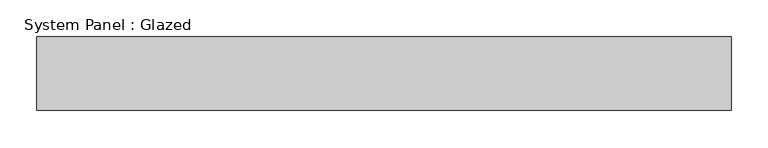
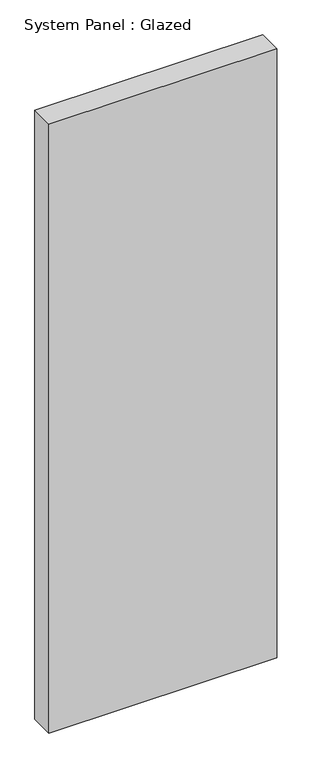
"""IFC4 building model written with IfcOpenShell, lengths in millimetres: plate geometry, System Panel : Glazed."""

from ifc_helpers import new_model, si_unit, origin, origin_with_axes, place, context, project, spatial, polyline, outline, extrude, source, transform, mapped, element, save


def system_panel_glazed_94610b13(model_context):
    return source(origin(), model_context, "Body", "SweptSolid", [
        extrude(outline(polyline([(471.4440397, 50.0), (-471.4440397, 50.0), (-471.4440397, 150.0), (471.4440397, 150.0), (471.4440397, 50.0)])), origin_with_axes(), (0.0, 0.0, 1.0), 2664.6565351),
    ])


if __name__ == "__main__":
    model = new_model("IFC4")
    model_context = context("Model", 3, world=origin())
    ifc_project = project(units=[si_unit("LENGTHUNIT", "METRE", prefix="MILLI")], contexts=[model_context])
    site = spatial("IfcSite", under=ifc_project)
    building = spatial("IfcBuilding", under=site)
    placement = place(None, origin())
    system_panel_glazed_shape = system_panel_glazed_94610b13(model_context)
    element("IfcPlate", 1, ObjectType="System Panel : Glazed", at=placement, inside=building, context=model_context, shape_type="MappedRepresentation", body=[
        mapped(system_panel_glazed_shape, transform((0.0, 0.0, 0.0), x_axis=(1.0, 0.0, 0.0), y_axis=(0.0, 1.0, 0.0), z_axis=(0.0, 0.0, 1.0))),
    ])
    save(model, "model.ifc")
